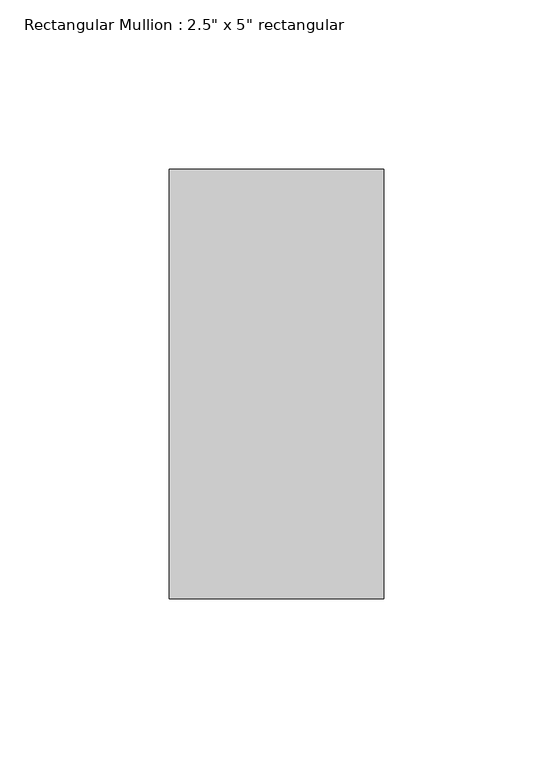
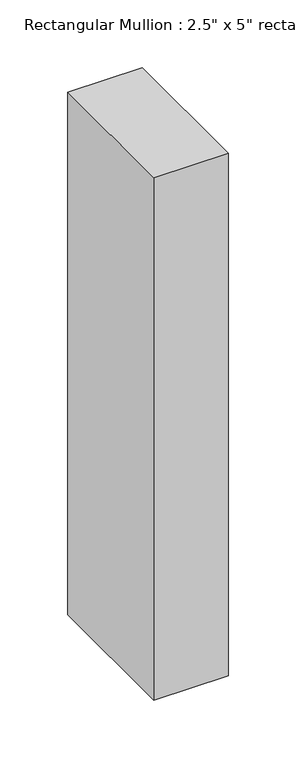
"""IFC4 building model written with IfcOpenShell, lengths in millimetres: member geometry."""

from ifc_helpers import new_model, si_unit, frame, origin, place, context, project, spatial, polyline, outline, extrude, source, transform, mapped, element, save


def member_8177429d(model_context):
    return source(origin(), model_context, "Body", "SweptSolid", [
        extrude(outline(polyline([(31.75, 63.5), (31.75, -63.5), (-31.75, -63.5), (-31.75, 63.5), (31.75, 63.5)])), frame((0.0, 0.0, -470.8554718), z_axis=(0.0, 0.0, 1.0), x_axis=(1.0, 0.0, 0.0)), (0.0, 0.0, 1.0), 470.8554718),
    ])


if __name__ == "__main__":
    model = new_model("IFC4")
    model_context = context("Model", 3, world=origin())
    ifc_project = project(units=[si_unit("LENGTHUNIT", "METRE", prefix="MILLI")], contexts=[model_context])
    site = spatial("IfcSite", under=ifc_project)
    building = spatial("IfcBuilding", under=site)
    placement = place(None, origin())
    member_shape = member_8177429d(model_context)
    element("IfcMember", 1, ObjectType="Rectangular Mullion : 2.5\" x 5\" rectangular", at=placement, inside=building, context=model_context, shape_type="MappedRepresentation", body=[
        mapped(member_shape, transform((0.0, 0.0, 0.0), x_axis=(1.0, 0.0, 0.0), y_axis=(0.0, 1.0, 0.0), z_axis=(0.0, 0.0, 1.0))),
    ])
    save(model, "model.ifc")
